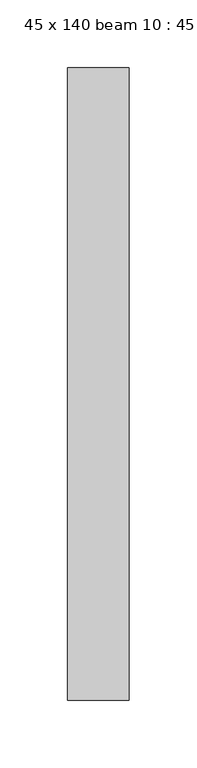
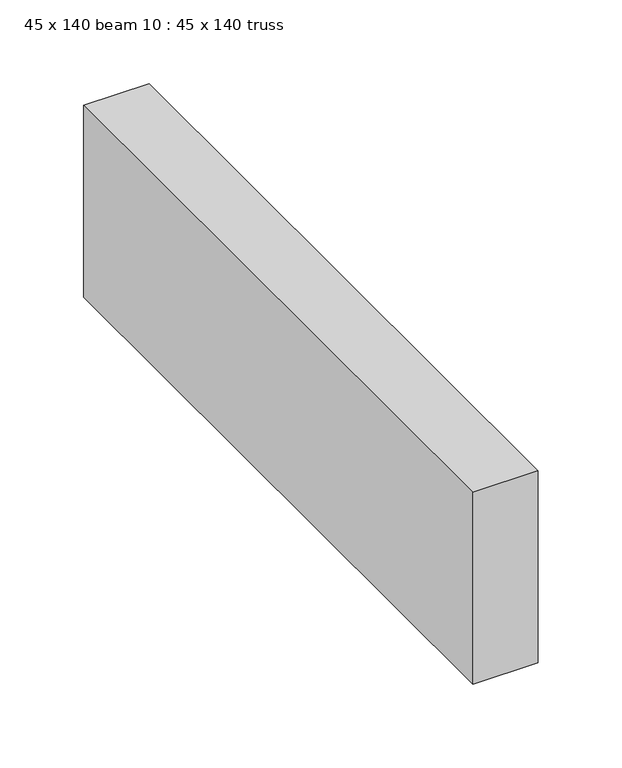
"""IFC4 building model written with IfcOpenShell, lengths in millimetres: proxy geometry, 45 x 140 beam 10 : 45 x 140 truss."""

from ifc_helpers import new_model, si_unit, frame, origin, place, context, project, spatial, polyline, outline, extrude, source, transform, mapped, element, save


def proxy_45_x_140_beam_10_45_x_140_truss_36d05d8d(model_context):
    return source(origin(), model_context, "Body", "SweptSolid", [
        extrude(outline(polyline([(-11636.1805362, -185.716349), (-11591.1805362, -185.716349), (-11591.1805362, -650.716349), (-11636.1805362, -650.716349), (-11636.1805362, -185.716349)])), frame((0.0, 0.0, 3644.2452806), z_axis=(0.0, 0.0, 1.0), x_axis=(1.0, 0.0, 0.0)), (0.0, 0.0, 1.0), 140.0),
    ])


if __name__ == "__main__":
    model = new_model("IFC4")
    model_context = context("Model", 3, world=origin())
    ifc_project = project(units=[si_unit("LENGTHUNIT", "METRE", prefix="MILLI")], contexts=[model_context])
    site = spatial("IfcSite", under=ifc_project)
    building = spatial("IfcBuilding", under=site)
    placement = place(None, origin())
    proxy_45_x_140_beam_10_45_x_140_truss_shape = proxy_45_x_140_beam_10_45_x_140_truss_36d05d8d(model_context)
    element("IfcBuildingElementProxy", 1, Name="45 x 140 beam 10 : 45 x 140 truss", ObjectType="45 x 140 beam 10 : 45 x 140 truss", at=placement, inside=building, context=model_context, shape_type="MappedRepresentation", body=[
        mapped(proxy_45_x_140_beam_10_45_x_140_truss_shape, transform((0.0, 0.0, 0.0), x_axis=(1.0, 0.0, 0.0), y_axis=(0.0, 1.0, 0.0), z_axis=(0.0, 0.0, 1.0))),
    ])
    save(model, "model.ifc")
